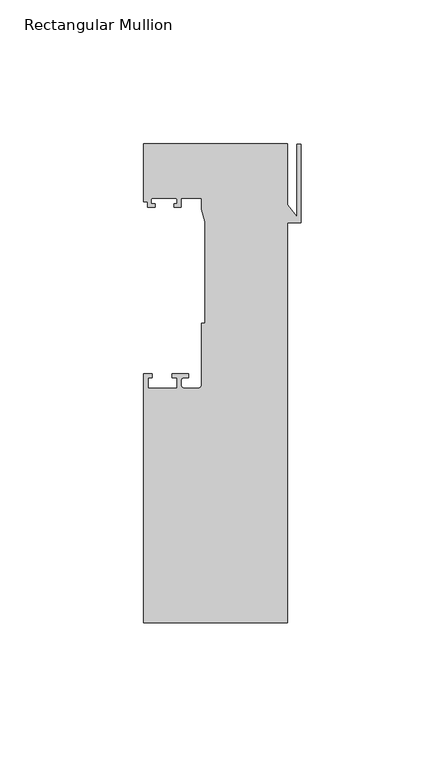
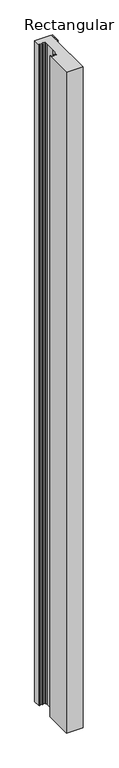
"""IFC4 building model written with IfcOpenShell, lengths in millimetres: member geometry, Rectangular Mullion."""

from ifc_helpers import new_model, si_unit, point, frame, frame_2d, origin, place, context, project, spatial, polyline, circle_curve, trimmed, segment, composite_curve, outline, extrude, source, transform, mapped, element, save


def rectangular_mullion_eb48e34d(model_context):
    return source(origin(), model_context, "Body", "SweptSolid", [
        extrude(outline(composite_curve([segment(polyline([(-54.6704163, -74.0), (-54.6704163, 12.5), (-51.8704163, 12.5), (-51.8704163, 11.2), (-53.1704163, 11.2), (-53.1704163, 7.5), (-43.1704163, 7.5), (-43.1704163, 11.2), (-44.8704163, 11.2), (-44.8704163, 12.5), (-39.0704163, 12.5), (-39.0704163, 11.2), (-40.6704163, 11.2)]), True, "CONTINUOUS"), segment(trimmed(circle_curve(frame_2d((-40.6704163, 10.2)), 1.0), [point((-40.6704163, 11.2))], [point((-41.6704163, 10.2))], True, "CARTESIAN"), True, "CONTINUOUS"), segment(polyline([(-41.6704163, 10.2), (-41.6704163, 8.5)]), True, "CONTINUOUS"), segment(trimmed(circle_curve(frame_2d((-40.6704163, 8.5)), 1.0), [point((-41.6704163, 8.5))], [point((-40.6704163, 7.5))], True, "CARTESIAN"), True, "CONTINUOUS"), segment(polyline([(-40.6704163, 7.5), (-35.6704163, 7.5)]), True, "CONTINUOUS"), segment(trimmed(circle_curve(frame_2d((-35.6704163, 8.5)), 1.0), [point((-35.6704163, 7.5))], [point((-34.6704163, 8.5))], True, "CARTESIAN"), True, "CONTINUOUS"), segment(polyline([(-34.6704163, 8.5), (-34.6704163, 30.0), (-33.3704163, 30.0), (-33.3704163, 65.3046824), (-34.6704163, 69.6597214), (-34.6704163, 73.5), (-41.3204163, 73.5)]), True, "CONTINUOUS"), segment(trimmed(circle_curve(frame_2d((-41.3204163, 73.0)), 0.5), [point((-41.3204163, 73.5))], [point((-41.8204163, 73.0))], True, "CARTESIAN"), True, "CONTINUOUS"), segment(polyline([(-41.8204163, 73.0), (-41.8204163, 70.3), (-44.2204163, 70.3), (-44.2204163, 71.5), (-43.1204163, 71.5), (-43.1204163, 73.0)]), True, "CONTINUOUS"), segment(trimmed(circle_curve(frame_2d((-43.6204163, 73.0)), 0.5), [point((-43.1204163, 73.0))], [point((-43.6204163, 73.5))], True, "CARTESIAN"), True, "CONTINUOUS"), segment(polyline([(-43.6204163, 73.5), (-51.6204163, 73.5)]), True, "CONTINUOUS"), segment(trimmed(circle_curve(frame_2d((-51.6204163, 73.0)), 0.5), [point((-51.6204163, 73.5))], [point((-52.1204163, 73.0))], True, "CARTESIAN"), True, "CONTINUOUS"), segment(polyline([(-52.1204163, 73.0), (-52.1204163, 71.5), (-50.7204163, 71.5), (-50.7204163, 70.3), (-53.4204163, 70.3), (-53.4204163, 72.3), (-54.6704163, 72.3), (-54.6704163, 92.3), (-4.6704163, 92.3), (-4.6704163, 71.1838655), (-1.5, 67.1113944), (-1.5, 92.1828622), (0.0, 92.1828622), (0.0, 65.0), (-4.6704163, 65.0), (-4.6704163, -74.0), (-54.6704163, -74.0)]), True, "CONTINUOUS")], self_intersect=False)), frame((0.0, 0.0, -2120.3295837), z_axis=(0.0, 0.0, 1.0), x_axis=(1.0, 0.0, 0.0)), (0.0, 0.0, 1.0), 2120.3295837),
    ])


if __name__ == "__main__":
    model = new_model("IFC4")
    model_context = context("Model", 3, world=origin())
    ifc_project = project(units=[si_unit("LENGTHUNIT", "METRE", prefix="MILLI")], contexts=[model_context])
    site = spatial("IfcSite", under=ifc_project)
    building = spatial("IfcBuilding", under=site)
    placement = place(None, origin())
    rectangular_mullion_shape = rectangular_mullion_eb48e34d(model_context)
    element("IfcMember", 1, ObjectType="Rectangular Mullion", at=placement, inside=building, context=model_context, shape_type="MappedRepresentation", body=[
        mapped(rectangular_mullion_shape, transform((0.0, 0.0, 0.0), x_axis=(1.0, 0.0, 0.0), y_axis=(0.0, 1.0, 0.0), z_axis=(0.0, 0.0, 1.0))),
    ])
    save(model, "model.ifc")
